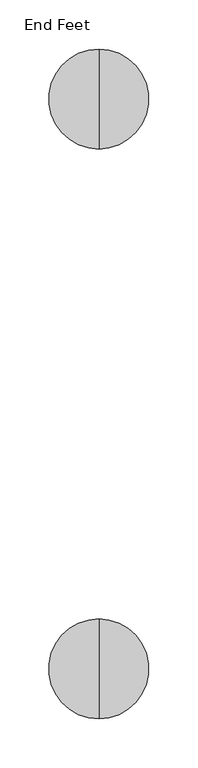
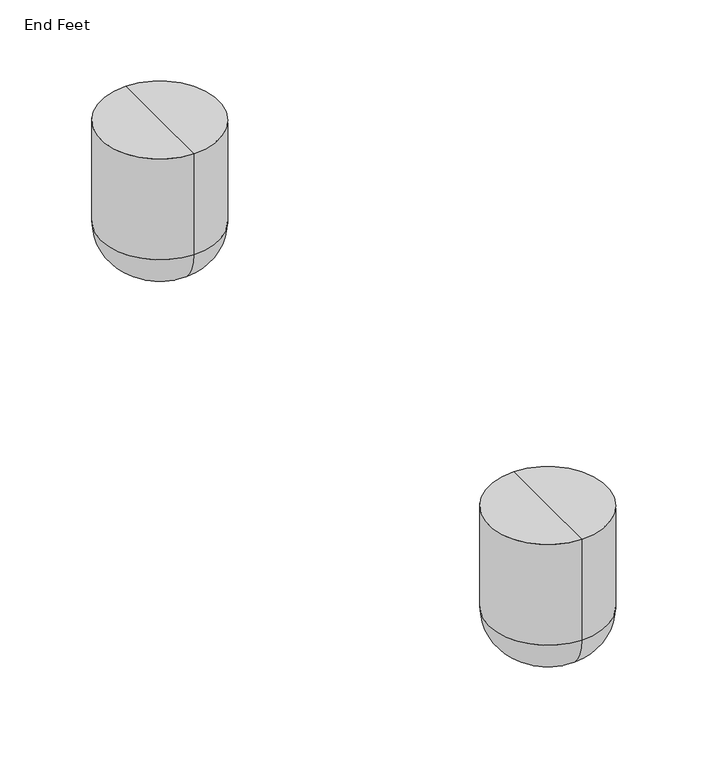
"""IFC4 building model written with IfcOpenShell, lengths in millimetres: furniture geometry, End Feet."""

from ifc_helpers import new_model, si_unit, point, frame, origin, place, context, project, spatial, circle_curve, ellipse_curve, trimmed, source, transform, mapped, element, save
from ifc_brep_helpers import plane_surface, cylinder_surface, revolved_surface, advanced_brep


def end_feet_c620475a(model_context):
    return source(origin(), model_context, "Body", "AdvancedBrep", [
        advanced_brep(
        [(135.289512, 747.4877706, 130.0907271), (135.289512, 645.5490367, 130.0907271), (135.289512, 696.5184037, 130.0907271), (135.289512, 747.4877706, 38.1), (135.289512, 645.5490367, 38.1), (135.289512, 709.3877706, 0.0), (135.289512, 683.6490367, 0.0), (135.289512, 696.5184037, 0.0)],
        [
            (0, 1, circle_curve(frame((135.289512, 696.5184037, 130.0907271), z_axis=(0.0, 0.0, 1.0), x_axis=(0.0, -1.0, 0.0)), 50.969367)),
            (1, 2),
            (2, 0),
            (1, 0, circle_curve(frame((135.289512, 696.5184037, 130.0907271), z_axis=(0.0, 0.0, 1.0), x_axis=(0.0, -1.0, 0.0)), 50.969367)),
            (3, 4, circle_curve(frame((135.289512, 696.5184037, 38.1), z_axis=(0.0, 0.0, 1.0), x_axis=(0.0, -1.0, 0.0)), 50.969367)),
            (4, 1),
            (0, 3),
            (4, 3, circle_curve(frame((135.289512, 696.5184037, 38.1), z_axis=(0.0, 0.0, 1.0), x_axis=(0.0, -1.0, 0.0)), 50.969367)),
            (5, 6, circle_curve(frame((135.289512, 696.5184037, 0.0), z_axis=(0.0, 0.0, 1.0), x_axis=(0.0, -1.0, 0.0)), 12.869367)),
            (6, 4, circle_curve(frame((135.289512, 683.6490367, 38.1), z_axis=(-1.0, 0.0, 0.0), x_axis=(0.0, -1.0, 0.0)), 38.1)),
            (3, 5, circle_curve(frame((135.289512, 709.3877706, 38.1), z_axis=(-1.0, 0.0, 0.0), x_axis=(0.0, 1.0, 0.0)), 38.1)),
            (6, 5, circle_curve(frame((135.289512, 696.5184037, 0.0), z_axis=(0.0, 0.0, 1.0), x_axis=(0.0, -1.0, 0.0)), 12.869367)),
            (7, 6),
            (5, 7),
        ],
        [
            plane_surface(frame((135.289512, 696.5184037, 130.0907271), z_axis=(0.0, 0.0, 1.0), x_axis=(0.0, -1.0, 0.0))),
            cylinder_surface(frame((135.289512, 696.5184037, 130.0907271), z_axis=(0.0, 0.0, -1.0), x_axis=(0.0, -1.0, 0.0)), 50.969367),
            revolved_surface(trimmed(ellipse_curve(frame((135.289512, 683.6490367, 38.1), z_axis=(1.0, 0.0, 0.0), x_axis=(0.0, -1.0, 0.0)), 38.1, 38.1), [point((135.289512, 645.5490367, 38.1))], [point((135.289512, 683.6490367, 0.0))], True, "CARTESIAN"), (135.289512, 696.5184037, 130.0907271), (0.0, 0.0, -1.0)),
            plane_surface(frame((135.289512, 696.5184037, 0.0), z_axis=(0.0, 0.0, -1.0), x_axis=(0.0, -1.0, 0.0))),
        ],
        [
            (0, [[1, 2, 3]]),
            (0, [[4, -3, -2]]),
            (1, [[5, 6, -1, 7]]),
            (1, [[8, -7, -4, -6]]),
            (2, [[9, 10, -5, 11]]),
            (2, [[12, -11, -8, -10]]),
            (3, [[13, -9, 14]]),
            (3, [[-14, -12, -13]]),
        ],
    ),
        advanced_brep(
        [(135.289512, 166.4627706, 130.0907271), (135.289512, 64.5240367, 130.0907271), (135.289512, 115.4934037, 130.0907271), (135.289512, 166.4627706, 38.1), (135.289512, 64.5240367, 38.1), (135.289512, 128.3627706, 0.0), (135.289512, 102.6240367, 0.0), (135.289512, 115.4934037, 0.0)],
        [
            (0, 1, circle_curve(frame((135.289512, 115.4934037, 130.0907271), z_axis=(0.0, 0.0, 1.0), x_axis=(0.0, -1.0, 0.0)), 50.969367)),
            (1, 2),
            (2, 0),
            (1, 0, circle_curve(frame((135.289512, 115.4934037, 130.0907271), z_axis=(0.0, 0.0, 1.0), x_axis=(0.0, -1.0, 0.0)), 50.969367)),
            (3, 4, circle_curve(frame((135.289512, 115.4934037, 38.1), z_axis=(0.0, 0.0, 1.0), x_axis=(0.0, -1.0, 0.0)), 50.969367)),
            (4, 1),
            (0, 3),
            (4, 3, circle_curve(frame((135.289512, 115.4934037, 38.1), z_axis=(0.0, 0.0, 1.0), x_axis=(0.0, -1.0, 0.0)), 50.969367)),
            (5, 6, circle_curve(frame((135.289512, 115.4934037, 0.0), z_axis=(0.0, 0.0, 1.0), x_axis=(0.0, -1.0, 0.0)), 12.869367)),
            (6, 4, circle_curve(frame((135.289512, 102.6240367, 38.1), z_axis=(-1.0, 0.0, 0.0), x_axis=(0.0, -1.0, 0.0)), 38.1)),
            (3, 5, circle_curve(frame((135.289512, 128.3627706, 38.1), z_axis=(-1.0, 0.0, 0.0), x_axis=(0.0, 1.0, 0.0)), 38.1)),
            (6, 5, circle_curve(frame((135.289512, 115.4934037, 0.0), z_axis=(0.0, 0.0, 1.0), x_axis=(0.0, -1.0, 0.0)), 12.869367)),
            (7, 6),
            (5, 7),
        ],
        [
            plane_surface(frame((135.289512, 115.4934037, 130.0907271), z_axis=(0.0, 0.0, 1.0), x_axis=(0.0, -1.0, 0.0))),
            cylinder_surface(frame((135.289512, 115.4934037, 130.0907271), z_axis=(0.0, 0.0, -1.0), x_axis=(0.0, -1.0, 0.0)), 50.969367),
            revolved_surface(trimmed(ellipse_curve(frame((135.289512, 102.6240367, 38.1), z_axis=(1.0, 0.0, 0.0), x_axis=(0.0, -1.0, 0.0)), 38.1, 38.1), [point((135.289512, 64.5240367, 38.1))], [point((135.289512, 102.6240367, 0.0))], True, "CARTESIAN"), (135.289512, 115.4934037, 130.0907271), (0.0, 0.0, -1.0)),
            plane_surface(frame((135.289512, 115.4934037, 0.0), z_axis=(0.0, 0.0, -1.0), x_axis=(0.0, -1.0, 0.0))),
        ],
        [
            (0, [[1, 2, 3]]),
            (0, [[4, -3, -2]]),
            (1, [[5, 6, -1, 7]]),
            (1, [[8, -7, -4, -6]]),
            (2, [[9, 10, -5, 11]]),
            (2, [[12, -11, -8, -10]]),
            (3, [[13, -9, 14]]),
            (3, [[-14, -12, -13]]),
        ],
    ),
    ])


if __name__ == "__main__":
    model = new_model("IFC4")
    model_context = context("Model", 3, world=origin())
    ifc_project = project(units=[si_unit("LENGTHUNIT", "METRE", prefix="MILLI")], contexts=[model_context])
    site = spatial("IfcSite", under=ifc_project)
    building = spatial("IfcBuilding", under=site)
    placement = place(None, origin())
    end_feet_shape = end_feet_c620475a(model_context)
    element("IfcFurniture", 1, ObjectType="End Feet", at=placement, inside=building, context=model_context, shape_type="MappedRepresentation", body=[
        mapped(end_feet_shape, transform((0.0, 0.0, 0.0), x_axis=(1.0, 0.0, 0.0), y_axis=(0.0, 1.0, 0.0), z_axis=(0.0, 0.0, 1.0))),
    ])
    save(model, "model.ifc")
